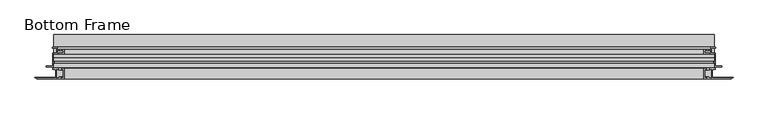
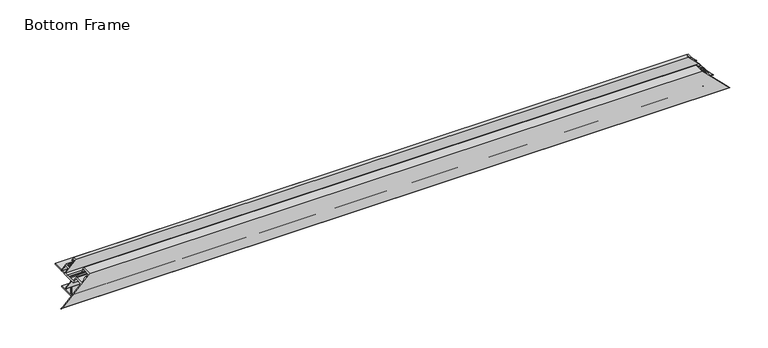
"""IFC4 building model written with IfcOpenShell, lengths in millimetres: proxy geometry, Bottom Frame."""

import ifcopenshell
import ifcopenshell.guid

model = None  # the IFC model being written
_history = None  # IfcOwnerHistory: only IFC2X3 demands one
_inside = {}  # id of a spatial element -> (the spatial element, [elements in it])
_under = {}  # id of a project, library or spatial element -> (it, [spatial elements below it])
_declared = {}  # id of a project -> (the project, [libraries it declares])
_typed = {}  # id of a type object -> (the type object, [elements of that type])
_made_of = {}  # id of a material, layer set ... -> (it, [elements and type objects made of it])


def new_model(schema):
    """Start an empty IFC model of exactly this schema.

    Asked for "IFC4X3", IfcOpenShell would pick the latest addendum, in which some entities
    have other attributes; the version numbers below select the first issue.
    IFC2X3 requires an IfcOwnerHistory on every rooted entity: one is made here for all.
    """
    global model, _history
    if schema == "IFC4X3":
        model = ifcopenshell.file(schema_version=(4, 3, 0, 0))
    else:
        model = ifcopenshell.file(schema=schema)
    _inside.clear()
    _under.clear()
    _declared.clear()
    _typed.clear()
    _made_of.clear()
    _history = None
    if model.schema == "IFC2X3":
        org = make("IfcOrganization", Name="unknown")
        user = make(
            "IfcPersonAndOrganization",
            ThePerson=make("IfcPerson", FamilyName="unknown"),
            TheOrganization=org,
        )
        app = make(
            "IfcApplication",
            ApplicationDeveloper=org,
            Version="unknown",
            ApplicationFullName="unknown",
            ApplicationIdentifier="unknown",
        )
        _history = make(
            "IfcOwnerHistory",
            OwningUser=user,
            OwningApplication=app,
            ChangeAction="ADDED",
            CreationDate=0,
        )
    return model


def make(cls, **values):
    """One entity of the class cls with the attributes given. An attribute that is None is left unset."""
    return model.create_entity(
        cls, **{name: value for name, value in values.items() if value is not None}
    )


def rooted(cls, **values):
    """An entity with a GlobalId (a new one), such as an element, a storey or a relation."""
    return make(cls, GlobalId=ifcopenshell.guid.new(), OwnerHistory=_history, **values)


def si_unit(unit_type, name, prefix=None):
    """IfcSIUnit, for example si_unit("LENGTHUNIT", "METRE", prefix="MILLI")."""
    return make("IfcSIUnit", UnitType=unit_type, Prefix=prefix, Name=name)


def assignment(units):
    """IfcUnitAssignment: the units of a project."""
    return None if units is None else make("IfcUnitAssignment", Units=units)


def point(xyz):
    """IfcCartesianPoint."""
    return None if xyz is None else make("IfcCartesianPoint", Coordinates=xyz)


def direction(xyz):
    """IfcDirection."""
    return None if xyz is None else make("IfcDirection", DirectionRatios=xyz)


def frame(location, z_axis=None, x_axis=None):
    """IfcAxis2Placement3D, a coordinate frame: its origin and axes. An axis left out is left unset."""
    return make(
        "IfcAxis2Placement3D",
        Location=point(location),
        Axis=direction(z_axis),
        RefDirection=direction(x_axis),
    )


def frame_2d(location, x_axis=None):
    """IfcAxis2Placement2D, a coordinate frame in the plane: its origin and x axis."""
    return make(
        "IfcAxis2Placement2D", Location=point(location), RefDirection=direction(x_axis)
    )


def origin():
    """The frame at (0, 0, 0) with its axes left unset."""
    return frame((0.0, 0.0, 0.0))


def place(relative_to, where):
    """IfcLocalPlacement: puts the frame where relative to a parent placement (None: the world)."""
    return make(
        "IfcLocalPlacement", PlacementRelTo=relative_to, RelativePlacement=where
    )


def context(
    kind, dimensions, precision=None, world=None, true_north=None, identifier=None
):
    """IfcGeometricRepresentationContext, for example the 3D "Model" context."""
    return make(
        "IfcGeometricRepresentationContext",
        ContextIdentifier=identifier,
        ContextType=kind,
        CoordinateSpaceDimension=dimensions,
        Precision=precision,
        WorldCoordinateSystem=world,
        TrueNorth=true_north,
    )


def project(units=None, contexts=None):
    """IfcProject with its units and contexts."""
    return rooted(
        "IfcProject",
        Name="project",
        RepresentationContexts=contexts,
        UnitsInContext=assignment(units),
    )


def spatial(cls, under=None, at=None, **own):
    """A site, building, storey or space (cls), placed at a placement, below another one or the project."""
    s = rooted(cls, ObjectPlacement=at, **own)
    if under is not None:
        _under.setdefault(under.id(), (under, []))[1].append(s)
    return s


def polyline(points):
    """IfcPolyline through the points."""
    return make("IfcPolyline", Points=[point(p) for p in points])


def circle_curve(where, radius):
    """IfcCircle in the frame where."""
    return make("IfcCircle", Position=where, Radius=radius)


def ellipse_curve(where, semi_axis1, semi_axis2):
    """IfcEllipse in the frame where."""
    return make(
        "IfcEllipse", Position=where, SemiAxis1=semi_axis1, SemiAxis2=semi_axis2
    )


def trimmed(basis, trim1, trim2, sense, master):
    """IfcTrimmedCurve: the piece of a basis curve between two trims."""
    return make(
        "IfcTrimmedCurve",
        BasisCurve=basis,
        Trim1=trim1,
        Trim2=trim2,
        SenseAgreement=sense,
        MasterRepresentation=master,
    )


def segment(curve, same_sense, transition):
    """IfcCompositeCurveSegment."""
    return make(
        "IfcCompositeCurveSegment",
        Transition=transition,
        SameSense=same_sense,
        ParentCurve=curve,
    )


def composite_curve(segments, self_intersect=None):
    """IfcCompositeCurve: segments joined end to end."""
    return make("IfcCompositeCurve", Segments=segments, SelfIntersect=self_intersect)


def outline(outer, holes=None, kind="AREA"):
    """IfcArbitraryClosedProfileDef: a profile drawn as a closed curve; with holes, ...WithVoids."""
    if holes is None:
        return make("IfcArbitraryClosedProfileDef", ProfileType=kind, OuterCurve=outer)
    return make(
        "IfcArbitraryProfileDefWithVoids",
        ProfileType=kind,
        OuterCurve=outer,
        InnerCurves=holes,
    )


def extrude(swept, where, along, depth):
    """IfcExtrudedAreaSolid: the profile swept, set in the frame where, extruded along a direction by depth."""
    return make(
        "IfcExtrudedAreaSolid",
        SweptArea=swept,
        Position=where,
        ExtrudedDirection=direction(along),
        Depth=depth,
    )


def shape(context_of_items, identifier, shape_type, items):
    """IfcShapeRepresentation: the items that make up one representation, for example the "Body"."""
    return make(
        "IfcShapeRepresentation",
        ContextOfItems=context_of_items,
        RepresentationIdentifier=identifier,
        RepresentationType=shape_type,
        Items=items,
    )


def source(mapping_origin, context_of_items, identifier, shape_type, items):
    """IfcRepresentationMap: a shape defined once, which mapped items show again and again."""
    return make(
        "IfcRepresentationMap",
        MappingOrigin=mapping_origin,
        MappedRepresentation=shape(context_of_items, identifier, shape_type, items),
    )


def transform(
    local_origin,
    x_axis=None,
    y_axis=None,
    z_axis=None,
    scale=None,
    scale2=None,
    scale3=None,
    uniform=True,
):
    """IfcCartesianTransformationOperator3D, or its non-uniform kind. x_axis, y_axis, z_axis: its Axis1, 2, 3."""
    if uniform:
        return make(
            "IfcCartesianTransformationOperator3D",
            Axis1=direction(x_axis),
            Axis2=direction(y_axis),
            LocalOrigin=point(local_origin),
            Scale=scale,
            Axis3=direction(z_axis),
        )
    return make(
        "IfcCartesianTransformationOperator3DnonUniform",
        Axis1=direction(x_axis),
        Axis2=direction(y_axis),
        LocalOrigin=point(local_origin),
        Scale=scale,
        Axis3=direction(z_axis),
        Scale2=scale2,
        Scale3=scale3,
    )


def mapped(mapping_source, mapping_target):
    """IfcMappedItem: shows the shape of a source again, moved by a transform."""
    return make(
        "IfcMappedItem", MappingSource=mapping_source, MappingTarget=mapping_target
    )


def made_of(thing, what):
    """Note that an element or type object is made of a material, layer set ...; save() writes the relation."""
    if what is not None:
        _made_of.setdefault(what.id(), (what, []))[1].append(thing)
    return thing


def element(
    cls,
    number,
    at=None,
    inside=None,
    cuts=None,
    type_object=None,
    material=None,
    context=None,
    identifier="Body",
    shape_type=None,
    held_by="IfcProductDefinitionShape",
    body=None,
    shapes=None,
    **own,
):
    """One element of the class cls, such as IfcWall. Its Tag is "e" and its number.

    at: its placement. inside: the storey or other place that contains it. cuts: it is an
    opening in that element (IfcRelVoidsElement). A single representation is given by context,
    identifier, shape_type and body (its items); several are given by shapes. held_by: the class
    of the entity that holds the representations. save() writes the other relations.
    """
    e = rooted(cls, Tag="e%d" % number, ObjectPlacement=at, **own)
    if body is not None:
        shapes = [shape(context, identifier, shape_type, body)]
    if shapes is not None:
        e.Representation = make(held_by, Representations=shapes)
    if inside is not None:
        _inside.setdefault(inside.id(), (inside, []))[1].append(e)
    if cuts is not None:
        rooted(
            "IfcRelVoidsElement", RelatingBuildingElement=cuts, RelatedOpeningElement=e
        )
    if type_object is not None:
        _typed.setdefault(type_object.id(), (type_object, []))[1].append(e)
    return made_of(e, material)


def aggregate(whole, parts):
    """IfcRelAggregates: a whole, such as a stair, and the parts it consists of."""
    return rooted("IfcRelAggregates", RelatingObject=whole, RelatedObjects=parts)


def save(model, path):
    """Write the relations noted so far, then the file.

    IfcRelAggregates (storeys below a building ...), IfcRelContainedInSpatialStructure (elements
    in a storey), IfcRelDefinesByType, IfcRelAssociatesMaterial and IfcRelDeclares: one each for
    every whole, place, type object, material and project.
    """
    for whole, parts in _under.values():
        aggregate(whole, parts)
    for where, things in _inside.values():
        rooted(
            "IfcRelContainedInSpatialStructure",
            RelatedElements=things,
            RelatingStructure=where,
        )
    for kind, things in _typed.values():
        rooted("IfcRelDefinesByType", RelatedObjects=things, RelatingType=kind)
    for what, things in _made_of.values():
        rooted("IfcRelAssociatesMaterial", RelatedObjects=things, RelatingMaterial=what)
    for by, libraries in _declared.values():
        rooted("IfcRelDeclares", RelatingContext=by, RelatedDefinitions=libraries)
    model.write(path)


def plane_surface(at):
    """IfcPlane: the flat surface through the origin of the frame at, square to its z axis."""
    return make("IfcPlane", Position=at)


def cylinder_surface(at, radius):
    """IfcCylindricalSurface: all points at the distance radius from the z axis of the frame at."""
    return make("IfcCylindricalSurface", Position=at, Radius=radius)


def advanced_brep(points, edges, surfaces, faces):
    """IfcAdvancedBrep: a solid bounded by faces that lie on surfaces and meet in shared edges.

    An edge is (start, end): straight between two places in points (the first is 0);
    or (start, end, curve); or (start, end, curve, False) where it runs against its curve.
    A face is (place in surfaces, loops), or (place, loops, False) where it looks against
    its surface's normal. A loop lists edges by number (the first is 1), with a minus sign
    where the edge is run from its end to its start. The first loop is the outer one.
    """
    corners = [point(p) for p in points]
    vertices = [make("IfcVertexPoint", VertexGeometry=c) for c in corners]
    made = []
    for start, end, *more in edges:
        made.append(
            make(
                "IfcEdgeCurve",
                EdgeStart=vertices[start],
                EdgeEnd=vertices[end],
                EdgeGeometry=more[0] if more else make("IfcPolyline", Points=[corners[start], corners[end]]),
                SameSense=more[1] if len(more) > 1 else True,
            )
        )
    hull = []
    for where, loops, *sense in faces:
        bounds = []
        for j, loop in enumerate(loops):
            ring = [make("IfcOrientedEdge", EdgeElement=made[abs(k) - 1], Orientation=k > 0) for k in loop]
            bounds.append(
                make(
                    "IfcFaceOuterBound" if j == 0 else "IfcFaceBound",
                    Bound=make("IfcEdgeLoop", EdgeList=ring),
                    Orientation=True,
                )
            )
        hull.append(make("IfcAdvancedFace", Bounds=bounds, FaceSurface=surfaces[where], SameSense=sense[0] if sense else True))
    return make("IfcAdvancedBrep", Outer=make("IfcClosedShell", CfsFaces=hull))


def bottom_frame_788bbac1(model_context):
    return source(origin(), model_context, "Body", "SolidModel", [
        advanced_brep(
        [(-151.3880089, 77.6321612, 295.6853824), (-151.3880089, 90.6620297, 295.6853824), (827.1668783, 90.6620297, 295.6853824), (827.1668783, 77.6321612, 295.6853824), (-155.8076089, 90.6620297, 291.2657824), (831.5864783, 90.6620297, 291.2657824), (-155.8076089, 94.3803043, 291.2657824), (831.5864783, 94.3803043, 291.2657824), (-164.9521733, 94.3803043, 282.1212179), (840.7310428, 94.3803043, 282.1212179), (-164.9521733, 95.8979182, 282.1212179), (840.7310428, 95.8979182, 282.1212179), (-155.8076089, 95.8979182, 291.2657824), (831.5864783, 95.8979182, 291.2657824), (-155.8076089, 115.1606612, 291.2657824), (831.5864783, 115.1606612, 291.2657824), (-149.2798089, 115.1606612, 297.7935824), (825.0586783, 115.1606612, 297.7935824), (-149.2798089, 122.1488543, 297.7935824), (825.0586783, 122.1488543, 297.7935824), (-155.4271733, 122.1488543, 291.6462179), (831.2060428, 122.1488543, 291.6462179), (-155.4271733, 123.6696612, 291.6462179), (831.2060428, 123.6696612, 291.6462179), (-147.7558089, 123.6696612, 299.3175824), (823.5346783, 123.6696612, 299.3175824), (-147.7558089, 119.8564682, 299.3175824), (823.5346783, 119.8564682, 299.3175824), (-147.7558089, 118.3272703, 299.3175824), (-147.7558089, 115.1606612, 299.3175824), (823.5346783, 115.1606612, 299.3175824), (823.5346783, 118.3272703, 299.3175824), (-139.5770089, 115.1606612, 307.4963824), (815.3558783, 115.1606612, 307.4963824), (-139.5770089, 118.3272703, 307.4963824), (815.3558783, 118.3272703, 307.4963824), (-137.7990089, 119.8564682, 309.2743824), (-137.7990089, 113.3826612, 309.2743824), (813.5778783, 113.3826612, 309.2743824), (813.5778783, 119.8564682, 309.2743824), (-154.0296089, 113.3826612, 293.0437824), (829.8084783, 113.3826612, 293.0437824), (-154.0296089, 108.4927874, 293.0437824), (829.8084783, 108.4927874, 293.0437824), (-154.0296089, 107.3505351, 293.0437824), (-154.0296089, 102.5144516, 293.0437824), (829.8084783, 102.5144516, 293.0437824), (829.8084783, 107.3505351, 293.0437824), (-154.0296089, 100.3016612, 293.0437824), (-154.0296089, 92.4400297, 293.0437824), (829.8084783, 92.4400297, 293.0437824), (829.8084783, 100.3016612, 293.0437824), (-146.8795089, 92.4400297, 300.1938824), (822.6583783, 92.4400297, 300.1938824), (-146.8795089, 89.7304417, 300.1938824), (822.6583783, 89.7304417, 300.1938824), (-149.4368525, 90.6612387, 297.6365388), (825.2157219, 90.6612387, 297.6365388), (-139.7479921, 90.6620297, 307.3253992), (-142.3075089, 89.7304417, 304.7658824), (818.0863783, 89.7304417, 304.7658824), (815.5268615, 90.6620297, 307.3253992), (-142.3075089, 92.1860297, 304.7658824), (818.0863783, 92.1860297, 304.7658824), (-137.7990089, 92.1860297, 309.2743824), (813.5778783, 92.1860297, 309.2743824), (-137.7990089, 75.8541612, 309.2743824), (813.5778783, 75.8541612, 309.2743824), (-179.5002012, 75.8541612, 267.5731901), (855.2790706, 75.8541612, 267.5731901), (854.4584882, 77.6321612, 268.3937725), (-178.6796187, 77.6321612, 268.3937725), (855.254661, 78.4283341, 267.5975997), (-179.4757916, 78.4283341, 267.5975997), (-182.074374, 78.4283341, 264.9990172), (857.8532434, 78.4283341, 264.9990172), (815.5268615, 77.6321612, 307.3253992), (-139.7479921, 77.6321612, 307.3253992), (818.8657219, 77.6321612, 303.9865388), (-143.0868525, 77.6321612, 303.9865388), (818.8657219, 79.3102746, 303.9865388), (-143.0868525, 79.3102746, 303.9865388), (821.9278032, 79.3102746, 300.9244575), (-146.1489338, 79.3102746, 300.9244575), (821.9278032, 77.6321612, 300.9244575), (-146.1489338, 77.6321612, 300.9244575), (825.2157219, 77.6321612, 297.6365388), (-149.4368525, 77.6321612, 297.6365388), (828.4137878, 100.3016612, 294.4384729), (-152.6349183, 100.3016612, 294.4384729), (828.4137878, 102.5144516, 294.4384729), (-152.6349183, 102.5144516, 294.4384729), (830.624131, 107.9216612, 292.2281297), (-154.8452615, 107.9216612, 292.2281297), (817.2296832, 119.8564682, 305.6225774), (-141.4508138, 119.8564682, 305.6225774), (817.2296832, 118.3272703, 305.6225774), (-141.4508138, 118.3272703, 305.6225774), (821.8409994, 118.3272703, 301.0112613), (-146.06213, 118.3272703, 301.0112613), (821.8409994, 119.8564682, 301.0112613), (-146.06213, 119.8564682, 301.0112613)],
        [
            (0, 1),
            (1, 2),
            (2, 3),
            (3, 0),
            (1, 4),
            (4, 5),
            (5, 2),
            (4, 6),
            (6, 7),
            (7, 5),
            (6, 8),
            (8, 9),
            (9, 7),
            (8, 10, ellipse_curve(frame((-164.5603193, 95.1391112, 282.5130719), z_axis=(0.7071067811865485, 0.0, -0.7071067811865466), x_axis=(-0.7071067811865466, 0.0, -0.7071067811865485)), 1.2077563, 0.8540127)),
            (10, 11),
            (11, 9, ellipse_curve(frame((840.3391887, 95.1391112, 282.5130719), z_axis=(-0.7071067811865512, 0.0, -0.7071067811865438), x_axis=(-0.7071067811865439, 0.0, 0.7071067811865512)), 1.2077563, 0.8540127)),
            (10, 12),
            (12, 13),
            (13, 11),
            (12, 14),
            (14, 15),
            (15, 13),
            (14, 16),
            (16, 17),
            (17, 15),
            (16, 18),
            (18, 19),
            (19, 17),
            (18, 20),
            (20, 21),
            (21, 19),
            (20, 22, ellipse_curve(frame((-155.0868719, 122.9092578, 291.9865193), z_axis=(0.7071067811865485, 0.0, -0.7071067811865466), x_axis=(-0.7071067811865466, 0.0, -0.7071067811865485)), 1.1781498, 0.8330777)),
            (22, 23),
            (23, 21, ellipse_curve(frame((830.8657414, 122.9092578, 291.9865193), z_axis=(-0.7071067811865512, 0.0, -0.7071067811865438), x_axis=(-0.7071067811865439, 0.0, 0.7071067811865512)), 1.1781498, 0.8330777)),
            (22, 24),
            (24, 25),
            (25, 23),
            (24, 26),
            (26, 27),
            (27, 25),
            (28, 29),
            (29, 30),
            (30, 31),
            (31, 28),
            (29, 32),
            (32, 33),
            (33, 30),
            (32, 34),
            (34, 35),
            (35, 33),
            (36, 37),
            (37, 38),
            (38, 39),
            (39, 36),
            (37, 40),
            (40, 41),
            (41, 38),
            (40, 42),
            (42, 43),
            (43, 41),
            (44, 45),
            (45, 46),
            (46, 47),
            (47, 44),
            (48, 49),
            (49, 50),
            (50, 51),
            (51, 48),
            (49, 52),
            (52, 53),
            (53, 50),
            (52, 54),
            (54, 55),
            (55, 53),
            (54, 56),
            (56, 57),
            (57, 55),
            (58, 59),
            (59, 60),
            (60, 61),
            (61, 58),
            (59, 62),
            (62, 63),
            (63, 60),
            (62, 64),
            (64, 65),
            (65, 63),
            (64, 66),
            (66, 67),
            (67, 65),
            (66, 68),
            (68, 69),
            (69, 67),
            (3, 70),
            (70, 71),
            (71, 0),
            (70, 72),
            (72, 73),
            (73, 71),
            (74, 73),
            (72, 75),
            (75, 74),
            (75, 69),
            (68, 74),
            (61, 76),
            (76, 77),
            (77, 58),
            (76, 78),
            (78, 79),
            (79, 77),
            (78, 80),
            (80, 81),
            (81, 79),
            (80, 82),
            (82, 83),
            (83, 81),
            (82, 84),
            (84, 85),
            (85, 83),
            (84, 86),
            (86, 87),
            (87, 85),
            (86, 57),
            (56, 87),
            (51, 88),
            (88, 89),
            (89, 48),
            (88, 90),
            (90, 91),
            (91, 89),
            (90, 46),
            (45, 91),
            (47, 92),
            (92, 93),
            (93, 44),
            (92, 43),
            (42, 93),
            (39, 94),
            (94, 95),
            (95, 36),
            (94, 96),
            (96, 97),
            (97, 95),
            (96, 35),
            (34, 97),
            (31, 98),
            (98, 99),
            (99, 28),
            (98, 100),
            (100, 101),
            (101, 99),
            (100, 27),
            (26, 101),
        ],
        [
            plane_surface(frame((-182.074374, 77.6321612, 295.6853824), z_axis=(0.0, 0.0, -1.0), x_axis=(1.0, 0.0, 0.0))),
            plane_surface(frame((-182.074374, 90.6620297, 295.6853824), z_axis=(0.0, -1.0, 0.0), x_axis=(1.0, 0.0, 0.0))),
            plane_surface(frame((-182.074374, 90.6620297, 291.2657824), z_axis=(0.0, 0.0, -1.0), x_axis=(1.0, 0.0, 0.0))),
            plane_surface(frame((-182.074374, 94.3803043, 291.2657824), z_axis=(0.0, -1.0, 0.0), x_axis=(1.0, 0.0, 0.0))),
            cylinder_surface(frame((-182.074374, 95.1391112, 282.5130719), z_axis=(-1.0, 0.0, 0.0), x_axis=(0.0, -1.0, 0.0)), 0.8540127),
            plane_surface(frame((-182.074374, 95.8979182, 282.1212179), z_axis=(0.0, 1.0, 0.0), x_axis=(1.0, 0.0, 0.0))),
            plane_surface(frame((-182.074374, 95.8979182, 291.2657824), z_axis=(0.0, 0.0, -1.0), x_axis=(1.0, 0.0, 0.0))),
            plane_surface(frame((-182.074374, 115.1606612, 291.2657824), z_axis=(0.0, 1.0, 0.0), x_axis=(1.0, 0.0, 0.0))),
            plane_surface(frame((-182.074374, 115.1606612, 297.7935824), z_axis=(0.0, 0.0, -1.0), x_axis=(1.0, 0.0, 0.0))),
            plane_surface(frame((-182.074374, 122.1488543, 297.7935824), z_axis=(0.0, -1.0, 0.0), x_axis=(1.0, 0.0, 0.0))),
            cylinder_surface(frame((-182.074374, 122.9092578, 291.9865193), z_axis=(-1.0, 0.0, 0.0), x_axis=(0.0, -1.0, 0.0)), 0.8330777),
            plane_surface(frame((-182.074374, 123.6696612, 291.6462179), z_axis=(0.0, 1.0, 0.0), x_axis=(1.0, 0.0, 0.0))),
            plane_surface(frame((-182.074374, 123.6696612, 299.3175824), z_axis=(0.0, 0.0, 1.0), x_axis=(1.0, 0.0, 0.0))),
            plane_surface(frame((-182.074374, 118.3272703, 299.3175824), z_axis=(0.0, 0.0, 1.0), x_axis=(1.0, 0.0, 0.0))),
            plane_surface(frame((-182.074374, 115.1606612, 299.3175824), z_axis=(0.0, 1.0, 0.0), x_axis=(1.0, 0.0, 0.0))),
            plane_surface(frame((-182.074374, 115.1606612, 307.4963824), z_axis=(0.0, 0.0, -1.0), x_axis=(1.0, 0.0, 0.0))),
            plane_surface(frame((-182.074374, 119.8564682, 309.2743824), z_axis=(0.0, 0.0, 1.0), x_axis=(1.0, 0.0, 0.0))),
            plane_surface(frame((-182.074374, 113.3826612, 309.2743824), z_axis=(0.0, -1.0, 0.0), x_axis=(1.0, 0.0, 0.0))),
            plane_surface(frame((-182.074374, 113.3826612, 293.0437824), z_axis=(0.0, 0.0, 1.0), x_axis=(1.0, 0.0, 0.0))),
            plane_surface(frame((-182.074374, 107.3505351, 293.0437824), z_axis=(0.0, 0.0, 1.0), x_axis=(1.0, 0.0, 0.0))),
            plane_surface(frame((-182.074374, 100.3016612, 293.0437824), z_axis=(0.0, 0.0, 1.0), x_axis=(1.0, 0.0, 0.0))),
            plane_surface(frame((-182.074374, 92.4400297, 293.0437824), z_axis=(0.0, 1.0, 0.0), x_axis=(1.0, 0.0, 0.0))),
            plane_surface(frame((-182.074374, 92.4400297, 300.1938824), z_axis=(0.0, 0.0, 1.0), x_axis=(1.0, 0.0, 0.0))),
            plane_surface(frame((-182.074374, 89.7304417, 300.1938824), z_axis=(0.0, -0.9396926207859121, -0.3420201433256587), x_axis=(1.0, 0.0, 0.0))),
            plane_surface(frame((-182.074374, 90.6620297, 307.3253992), z_axis=(0.0, -0.9396926207859045, 0.3420201433256794), x_axis=(1.0, 0.0, 0.0))),
            plane_surface(frame((-182.074374, 89.7304417, 304.7658824), z_axis=(0.0, 0.0, -1.0), x_axis=(1.0, 0.0, 0.0))),
            plane_surface(frame((-182.074374, 92.1860297, 304.7658824), z_axis=(0.0, 1.0, 0.0), x_axis=(1.0, 0.0, 0.0))),
            plane_surface(frame((-182.074374, 92.1860297, 309.2743824), z_axis=(0.0, 0.0, 1.0), x_axis=(1.0, 0.0, 0.0))),
            plane_surface(frame((-182.074374, 75.8541612, 309.2743824), z_axis=(0.0, -1.0, 0.0), x_axis=(1.0, 0.0, 0.0))),
            plane_surface(frame((-182.074374, 77.6321612, 268.3937725), z_axis=(0.0, 1.0, 0.0), x_axis=(1.0, 0.0, 0.0))),
            plane_surface(frame((-182.074374, 78.4283341, 267.5975997), z_axis=(0.0, 0.707106781186555, 0.70710678118654), x_axis=(1.0, 0.0, 0.0))),
            plane_surface(frame((-182.074374, 78.4283341, 264.9990172), z_axis=(0.0, 1.0, 0.0), x_axis=(1.0, 0.0, 0.0))),
            plane_surface(frame((-182.074374, 75.8541612, 267.5731901), z_axis=(0.0, -0.7071067811865476, -0.7071067811865476), x_axis=(1.0, 0.0, 0.0))),
            plane_surface(frame((-182.074374, 77.6321612, 307.3253992), z_axis=(0.0, 0.0, -1.0), x_axis=(1.0, 0.0, 0.0))),
            plane_surface(frame((-182.074374, 77.6321612, 303.9865388), z_axis=(0.0, 1.0, 0.0), x_axis=(1.0, 0.0, 0.0))),
            plane_surface(frame((-182.074374, 79.3102746, 303.9865388), z_axis=(0.0, 0.0, 1.0), x_axis=(1.0, 0.0, 0.0))),
            plane_surface(frame((-182.074374, 79.3102746, 300.9244575), z_axis=(0.0, 1.0, 0.0), x_axis=(1.0, 0.0, 0.0))),
            plane_surface(frame((-182.074374, 77.6321612, 300.9244575), z_axis=(0.0, 0.0, -1.0), x_axis=(1.0, 0.0, 0.0))),
            plane_surface(frame((-182.074374, 77.6321612, 297.6365388), z_axis=(0.0, 1.0, 0.0), x_axis=(1.0, 0.0, 0.0))),
            plane_surface(frame((-182.074374, 90.6612387, 297.6365388), z_axis=(0.0, 0.0, 1.0), x_axis=(1.0, 0.0, 0.0))),
            plane_surface(frame((-182.074374, 100.3016612, 294.4384729), z_axis=(0.0, -1.0, 0.0), x_axis=(1.0, 0.0, 0.0))),
            plane_surface(frame((-182.074374, 102.5144516, 294.4384729), z_axis=(0.0, 0.0, 1.0), x_axis=(1.0, 0.0, 0.0))),
            plane_surface(frame((-182.074374, 102.5144516, 293.0437824), z_axis=(0.0, 1.0, 0.0), x_axis=(1.0, 0.0, 0.0))),
            plane_surface(frame((-182.074374, 107.9216612, 292.2281297), z_axis=(0.0, 0.8191520442889877, 0.573576436351052), x_axis=(1.0, 0.0, 0.0))),
            plane_surface(frame((-182.074374, 108.4927874, 293.0437824), z_axis=(0.0, -0.8191520442889936, 0.5735764363510437), x_axis=(1.0, 0.0, 0.0))),
            plane_surface(frame((-182.074374, 119.8564682, 305.6225774), z_axis=(0.0, 1.0, 0.0), x_axis=(1.0, 0.0, 0.0))),
            plane_surface(frame((-182.074374, 118.3272703, 305.6225774), z_axis=(0.0, 0.0, -1.0), x_axis=(1.0, 0.0, 0.0))),
            plane_surface(frame((-182.074374, 118.3272703, 307.4963824), z_axis=(0.0, -1.0, 0.0), x_axis=(1.0, 0.0, 0.0))),
            plane_surface(frame((-182.074374, 118.3272703, 301.0112613), z_axis=(0.0, -1.0, 0.0), x_axis=(1.0, 0.0, 0.0))),
            plane_surface(frame((-182.074374, 119.8564682, 301.0112613), z_axis=(0.0, 0.0, 1.0), x_axis=(1.0, 0.0, 0.0))),
            plane_surface(frame((-182.074374, 119.8564682, 299.3175824), z_axis=(0.0, 1.0, 0.0), x_axis=(1.0, 0.0, 0.0))),
            plane_surface(frame((-128.1928373, 50.4541612, 318.880554), z_axis=(-0.7071067811865485, 0.0, 0.7071067811865466), x_axis=(0.0, 1.0, 0.0))),
            plane_surface(frame((867.4717067, 50.4541612, 255.380554), z_axis=(0.7071067811865512, 0.0, 0.7071067811865438), x_axis=(0.0, 1.0, 0.0))),
        ],
        [
            (0, [[1, 2, 3, 4]]),
            (1, [[5, 6, 7, -2]]),
            (2, [[8, 9, 10, -6]]),
            (3, [[11, 12, 13, -9]]),
            (4, [[14, 15, 16, -12]]),
            (5, [[17, 18, 19, -15]]),
            (6, [[20, 21, 22, -18]]),
            (7, [[23, 24, 25, -21]]),
            (8, [[26, 27, 28, -24]]),
            (9, [[29, 30, 31, -27]]),
            (10, [[32, 33, 34, -30]]),
            (11, [[35, 36, 37, -33]]),
            (12, [[38, 39, 40, -36]]),
            (13, [[41, 42, 43, 44]]),
            (14, [[45, 46, 47, -42]]),
            (15, [[48, 49, 50, -46]]),
            (16, [[51, 52, 53, 54]]),
            (17, [[55, 56, 57, -52]]),
            (18, [[58, 59, 60, -56]]),
            (19, [[61, 62, 63, 64]]),
            (20, [[65, 66, 67, 68]]),
            (21, [[69, 70, 71, -66]]),
            (22, [[72, 73, 74, -70]]),
            (23, [[75, 76, 77, -73]]),
            (24, [[78, 79, 80, 81]]),
            (25, [[82, 83, 84, -79]]),
            (26, [[85, 86, 87, -83]]),
            (27, [[88, 89, 90, -86]]),
            (28, [[91, 92, 93, -89]]),
            (29, [[94, 95, 96, -4]]),
            (30, [[97, 98, 99, -95]]),
            (31, [[100, -98, 101, 102]]),
            (32, [[103, -92, 104, -102]]),
            (33, [[105, 106, 107, -81]]),
            (34, [[108, 109, 110, -106]]),
            (35, [[111, 112, 113, -109]]),
            (36, [[114, 115, 116, -112]]),
            (37, [[117, 118, 119, -115]]),
            (38, [[120, 121, 122, -118]]),
            (39, [[123, -76, 124, -121]]),
            (40, [[125, 126, 127, -68]]),
            (41, [[128, 129, 130, -126]]),
            (42, [[131, -62, 132, -129]]),
            (43, [[133, 134, 135, -64]]),
            (44, [[136, -59, 137, -134]]),
            (45, [[138, 139, 140, -54]]),
            (46, [[141, 142, 143, -139]]),
            (47, [[144, -49, 145, -142]]),
            (48, [[146, 147, 148, -44]]),
            (49, [[149, 150, 151, -147]]),
            (50, [[152, -39, 153, -150]]),
            (51, [[-96, -99, -100, -104, -91, -88, -85, -82, -78, -107, -110, -113, -116, -119, -122, -124, -75, -72, -69, -65, -127, -130, -132, -61, -135, -137, -58, -55, -51, -140, -143, -145, -48, -45, -41, -148, -151, -153, -38, -35, -32, -29, -26, -23, -20, -17, -14, -11, -8, -5, -1]]),
            (52, [[-7, -10, -13, -16, -19, -22, -25, -28, -31, -34, -37, -40, -152, -149, -146, -43, -47, -50, -144, -141, -138, -53, -57, -60, -136, -133, -63, -131, -128, -125, -67, -71, -74, -77, -123, -120, -117, -114, -111, -108, -105, -80, -84, -87, -90, -93, -103, -101, -97, -94, -3]]),
        ],
    ),
        extrude(outline(composite_curve([segment(polyline([(142.2300781, 291.2657824), (142.2300781, 289.6528824), (101.5018112, 289.6528824)]), True, "CONTINUOUS"), segment(trimmed(circle_curve(frame_2d((101.5018112, 288.8400824)), 0.8128), [point((101.5018112, 289.6528824))], [point((100.6890112, 288.8400824))], True, "CARTESIAN"), True, "CONTINUOUS"), segment(polyline([(100.6890112, 288.8400824), (100.6890112, 265.7176432)]), True, "CONTINUOUS"), segment(trimmed(circle_curve(frame_2d((101.5187721, 265.7176432)), 0.8297608), [point((100.6890112, 265.7176432))], [point((101.5187721, 264.8878824))], True, "CARTESIAN"), True, "CONTINUOUS"), segment(polyline([(101.5187721, 264.8878824), (124.4761112, 264.8878824), (124.4761112, 263.2749824), (101.5018112, 263.2749824)]), True, "CONTINUOUS"), segment(trimmed(circle_curve(frame_2d((101.5018112, 265.7006824)), 2.4257), [point((101.5018112, 263.2749824))], [point((99.0761112, 265.7006824))], False, "CARTESIAN"), True, "CONTINUOUS"), segment(polyline([(99.0761112, 265.7006824), (99.0761112, 288.8400824)]), True, "CONTINUOUS"), segment(trimmed(circle_curve(frame_2d((101.5018112, 288.8400824)), 2.4257), [point((99.0761112, 288.8400824))], [point((101.5018112, 291.2657824))], False, "CARTESIAN"), True, "CONTINUOUS"), segment(polyline([(101.5018112, 291.2657824), (142.2300781, 291.2657824)]), True, "CONTINUOUS")], self_intersect=False)), frame((-153.959423, 0.0, 0.0), z_axis=(1.0, 0.0, 0.0), x_axis=(0.0, 1.0, 0.0)), (0.0, 0.0, 1.0), 983.7418957),
        extrude(outline(polyline([(829.7824727, 95.9011112), (-153.959423, 95.9011112), (-153.959423, 99.0761112), (829.7824727, 99.0761112), (829.7824727, 95.9011112)])), frame((0.0, 0.0, 264.5703824), z_axis=(0.0, 0.0, 1.0), x_axis=(1.0, 0.0, 0.0)), (0.0, 0.0, 1.0), 25.4),
    ])


if __name__ == "__main__":
    model = new_model("IFC4")
    model_context = context("Model", 3, world=origin())
    ifc_project = project(units=[si_unit("LENGTHUNIT", "METRE", prefix="MILLI")], contexts=[model_context])
    site = spatial("IfcSite", under=ifc_project)
    building = spatial("IfcBuilding", under=site)
    placement = place(None, origin())
    bottom_frame_shape = bottom_frame_788bbac1(model_context)
    element("IfcBuildingElementProxy", 1, Name="Bottom Frame", ObjectType="Bottom Frame", at=placement, inside=building, context=model_context, shape_type="MappedRepresentation", body=[
        mapped(bottom_frame_shape, transform((0.0, 0.0, 0.0), x_axis=(1.0, 0.0, 0.0), y_axis=(0.0, 1.0, 0.0), z_axis=(0.0, 0.0, 1.0))),
    ])
    save(model, "model.ifc")
